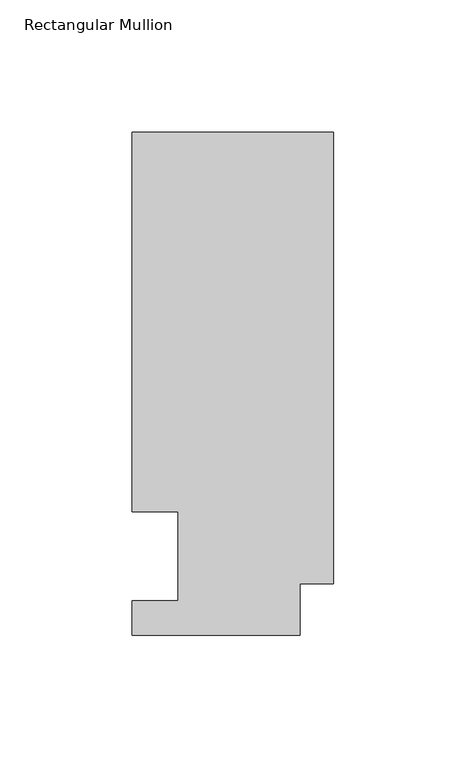
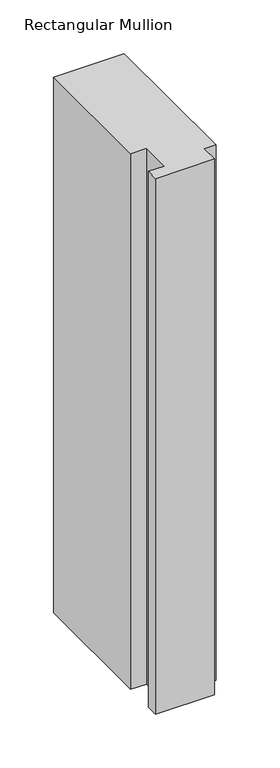
"""IFC4 building model written with IfcOpenShell, lengths in millimetres: member geometry, Rectangular Mullion."""

from ifc_helpers import new_model, si_unit, frame, origin, place, context, project, spatial, polyline, outline, extrude, source, transform, mapped, element, save


def rectangular_mullion_9261a2f9(model_context):
    return source(origin(), model_context, "Body", "SweptSolid", [
        extrude(outline(polyline([(-76.2000001, 190.2801312), (0.0, 190.2801312), (0.0, 19.5667312), (-12.7, 19.5667312), (-12.7, 0.041758), (-76.2, 0.041758), (-76.2, 13.224358), (-58.7375002, 13.224358), (-58.7375002, 46.7447302), (-76.2000001, 46.7447302), (-76.2000001, 190.2801312)])), frame((0.0, 0.0, -609.6), z_axis=(0.0, 0.0, 1.0), x_axis=(1.0, 0.0, 0.0)), (0.0, 0.0, 1.0), 609.6),
    ])


if __name__ == "__main__":
    model = new_model("IFC4")
    model_context = context("Model", 3, world=origin())
    ifc_project = project(units=[si_unit("LENGTHUNIT", "METRE", prefix="MILLI")], contexts=[model_context])
    site = spatial("IfcSite", under=ifc_project)
    building = spatial("IfcBuilding", under=site)
    placement = place(None, origin())
    rectangular_mullion_shape = rectangular_mullion_9261a2f9(model_context)
    element("IfcMember", 1, ObjectType="Rectangular Mullion", at=placement, inside=building, context=model_context, shape_type="MappedRepresentation", body=[
        mapped(rectangular_mullion_shape, transform((0.0, 0.0, 0.0), x_axis=(1.0, 0.0, 0.0), y_axis=(0.0, 1.0, 0.0), z_axis=(0.0, 0.0, 1.0))),
    ])
    save(model, "model.ifc")
